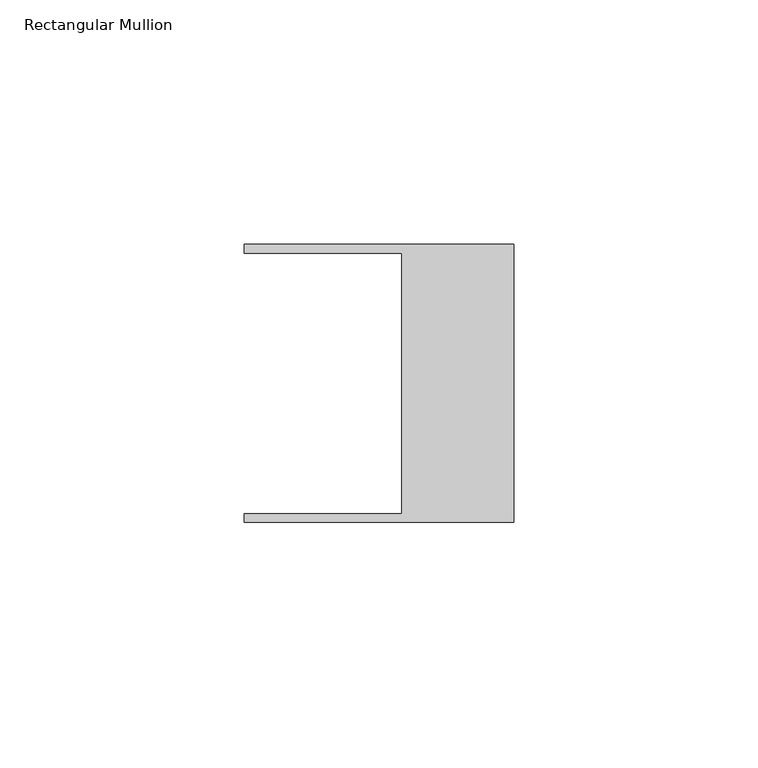
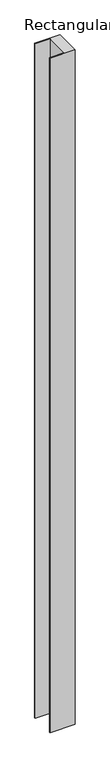
"""IFC4 building model written with IfcOpenShell, lengths in millimetres: member geometry, Rectangular Mullion."""

from ifc_helpers import new_model, si_unit, frame, origin, place, context, project, spatial, polyline, outline, extrude, source, transform, mapped, element, save


def rectangular_mullion_46c0103d(model_context):
    return source(origin(), model_context, "Body", "SweptSolid", [
        extrude(outline(polyline([(-55.118, 26.67), (-55.118, 28.448), (0.0, 28.448), (0.0, -28.448), (-55.118, -28.448), (-55.118, -26.67), (-22.86, -26.67), (-22.86, 26.67), (-55.118, 26.67)])), frame((0.0, 0.0, -1549.4), z_axis=(0.0, 0.0, 1.0), x_axis=(1.0, 0.0, 0.0)), (0.0, 0.0, 1.0), 1549.4),
    ])


if __name__ == "__main__":
    model = new_model("IFC4")
    model_context = context("Model", 3, world=origin())
    ifc_project = project(units=[si_unit("LENGTHUNIT", "METRE", prefix="MILLI")], contexts=[model_context])
    site = spatial("IfcSite", under=ifc_project)
    building = spatial("IfcBuilding", under=site)
    placement = place(None, origin())
    rectangular_mullion_shape = rectangular_mullion_46c0103d(model_context)
    element("IfcMember", 1, ObjectType="Rectangular Mullion", at=placement, inside=building, context=model_context, shape_type="MappedRepresentation", body=[
        mapped(rectangular_mullion_shape, transform((0.0, 0.0, 0.0), x_axis=(1.0, 0.0, 0.0), y_axis=(0.0, 1.0, 0.0), z_axis=(0.0, 0.0, 1.0))),
    ])
    save(model, "model.ifc")
